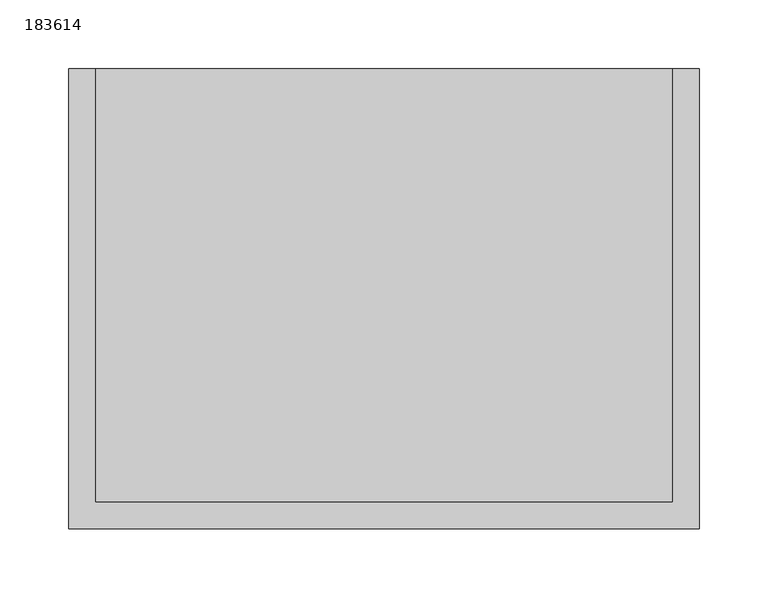
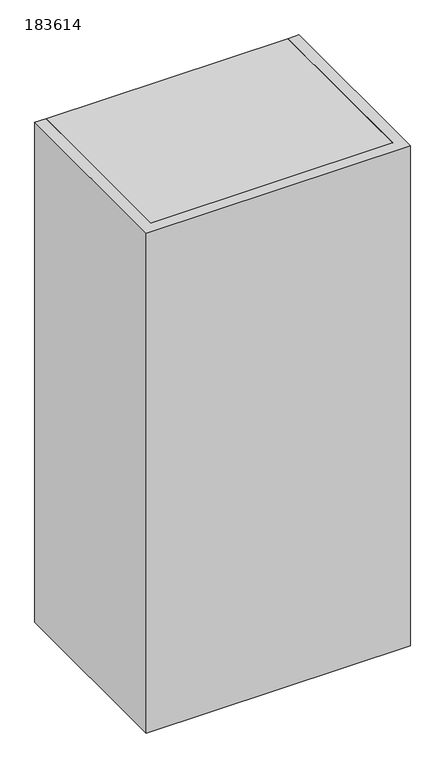
"""IFC4 building model written with IfcOpenShell, lengths in millimetres: furniture geometry, 183614."""

from ifc_helpers import new_model, si_unit, frame, origin, place, context, project, spatial, polyline, outline, extrude, source, transform, mapped, element, save


def furniture_183614_ccd86f2a(model_context):
    return source(origin(), model_context, "Body", "SweptSolid", [
        extrude(outline(polyline([(209.4, 397.1), (228.6, 397.1), (228.6, 63.5), (-228.6, 63.5), (-228.6, 397.1), (-209.4, 397.1), (-209.4, 82.7), (209.4, 82.7), (209.4, 397.1)])), frame((0.0, 0.0, 1219.2), z_axis=(0.0, 0.0, 1.0), x_axis=(1.0, 0.0, 0.0)), (0.0, 0.0, 1.0), 914.4),
        extrude(outline(polyline([(209.4, 82.7), (-209.4, 82.7), (-209.4, 387.1), (209.4, 387.1), (209.4, 82.7)])), frame((0.0, 0.0, 1816.0), z_axis=(0.0, 0.0, 1.0), x_axis=(1.0, 0.0, 0.0)), (0.0, 0.0, 1.0), 19.2),
        extrude(outline(polyline([(209.4, 82.7), (-209.4, 82.7), (-209.4, 387.1), (209.4, 387.1), (209.4, 82.7)])), frame((0.0, 0.0, 1517.6), z_axis=(0.0, 0.0, 1.0), x_axis=(1.0, 0.0, 0.0)), (0.0, 0.0, 1.0), 19.2),
        extrude(outline(polyline([(209.4, 397.1), (209.4, 82.7), (-209.4, 82.7), (-209.4, 397.1), (209.4, 397.1)])), frame((0.0, 0.0, 2114.4), z_axis=(0.0, 0.0, 1.0), x_axis=(1.0, 0.0, 0.0)), (0.0, 0.0, 1.0), 19.2),
        extrude(outline(polyline([(209.4, 397.1), (209.4, 82.7), (-209.4, 82.7), (-209.4, 397.1), (209.4, 397.1)])), frame((0.0, 0.0, 1219.2), z_axis=(0.0, 0.0, 1.0), x_axis=(1.0, 0.0, 0.0)), (0.0, 0.0, 1.0), 19.2),
    ])


if __name__ == "__main__":
    model = new_model("IFC4")
    model_context = context("Model", 3, world=origin())
    ifc_project = project(units=[si_unit("LENGTHUNIT", "METRE", prefix="MILLI")], contexts=[model_context])
    site = spatial("IfcSite", under=ifc_project)
    building = spatial("IfcBuilding", under=site)
    placement = place(None, origin())
    furniture_183614_shape = furniture_183614_ccd86f2a(model_context)
    element("IfcFurniture", 1, ObjectType="183614", at=placement, inside=building, context=model_context, shape_type="MappedRepresentation", body=[
        mapped(furniture_183614_shape, transform((0.0, 0.0, 0.0), x_axis=(1.0, 0.0, 0.0), y_axis=(0.0, 1.0, 0.0), z_axis=(0.0, 0.0, 1.0))),
    ])
    save(model, "model.ifc")
